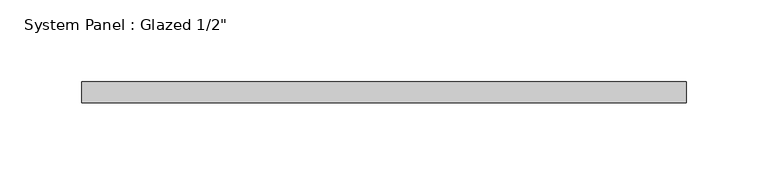
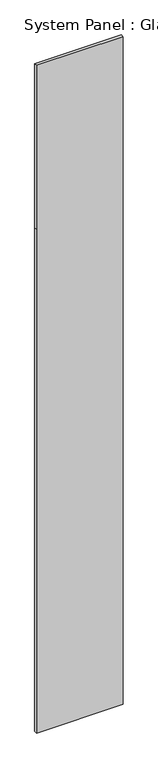
"""IFC4 building model written with IfcOpenShell, lengths in millimetres: plate geometry."""

import ifcopenshell
import ifcopenshell.guid

model = None  # the IFC model being written
_history = None  # IfcOwnerHistory: only IFC2X3 demands one
_inside = {}  # id of a spatial element -> (the spatial element, [elements in it])
_under = {}  # id of a project, library or spatial element -> (it, [spatial elements below it])
_declared = {}  # id of a project -> (the project, [libraries it declares])
_typed = {}  # id of a type object -> (the type object, [elements of that type])
_made_of = {}  # id of a material, layer set ... -> (it, [elements and type objects made of it])


def new_model(schema):
    """Start an empty IFC model of exactly this schema.

    Asked for "IFC4X3", IfcOpenShell would pick the latest addendum, in which some entities
    have other attributes; the version numbers below select the first issue.
    IFC2X3 requires an IfcOwnerHistory on every rooted entity: one is made here for all.
    """
    global model, _history
    if schema == "IFC4X3":
        model = ifcopenshell.file(schema_version=(4, 3, 0, 0))
    else:
        model = ifcopenshell.file(schema=schema)
    _inside.clear()
    _under.clear()
    _declared.clear()
    _typed.clear()
    _made_of.clear()
    _history = None
    if model.schema == "IFC2X3":
        org = make("IfcOrganization", Name="unknown")
        user = make(
            "IfcPersonAndOrganization",
            ThePerson=make("IfcPerson", FamilyName="unknown"),
            TheOrganization=org,
        )
        app = make(
            "IfcApplication",
            ApplicationDeveloper=org,
            Version="unknown",
            ApplicationFullName="unknown",
            ApplicationIdentifier="unknown",
        )
        _history = make(
            "IfcOwnerHistory",
            OwningUser=user,
            OwningApplication=app,
            ChangeAction="ADDED",
            CreationDate=0,
        )
    return model


def make(cls, **values):
    """One entity of the class cls with the attributes given. An attribute that is None is left unset."""
    return model.create_entity(
        cls, **{name: value for name, value in values.items() if value is not None}
    )


def rooted(cls, **values):
    """An entity with a GlobalId (a new one), such as an element, a storey or a relation."""
    return make(cls, GlobalId=ifcopenshell.guid.new(), OwnerHistory=_history, **values)


def si_unit(unit_type, name, prefix=None):
    """IfcSIUnit, for example si_unit("LENGTHUNIT", "METRE", prefix="MILLI")."""
    return make("IfcSIUnit", UnitType=unit_type, Prefix=prefix, Name=name)


def assignment(units):
    """IfcUnitAssignment: the units of a project."""
    return None if units is None else make("IfcUnitAssignment", Units=units)


def point(xyz):
    """IfcCartesianPoint."""
    return None if xyz is None else make("IfcCartesianPoint", Coordinates=xyz)


def direction(xyz):
    """IfcDirection."""
    return None if xyz is None else make("IfcDirection", DirectionRatios=xyz)


def frame(location, z_axis=None, x_axis=None):
    """IfcAxis2Placement3D, a coordinate frame: its origin and axes. An axis left out is left unset."""
    return make(
        "IfcAxis2Placement3D",
        Location=point(location),
        Axis=direction(z_axis),
        RefDirection=direction(x_axis),
    )


def origin():
    """The frame at (0, 0, 0) with its axes left unset."""
    return frame((0.0, 0.0, 0.0))


def place(relative_to, where):
    """IfcLocalPlacement: puts the frame where relative to a parent placement (None: the world)."""
    return make(
        "IfcLocalPlacement", PlacementRelTo=relative_to, RelativePlacement=where
    )


def context(
    kind, dimensions, precision=None, world=None, true_north=None, identifier=None
):
    """IfcGeometricRepresentationContext, for example the 3D "Model" context."""
    return make(
        "IfcGeometricRepresentationContext",
        ContextIdentifier=identifier,
        ContextType=kind,
        CoordinateSpaceDimension=dimensions,
        Precision=precision,
        WorldCoordinateSystem=world,
        TrueNorth=true_north,
    )


def project(units=None, contexts=None):
    """IfcProject with its units and contexts."""
    return rooted(
        "IfcProject",
        Name="project",
        RepresentationContexts=contexts,
        UnitsInContext=assignment(units),
    )


def spatial(cls, under=None, at=None, **own):
    """A site, building, storey or space (cls), placed at a placement, below another one or the project."""
    s = rooted(cls, ObjectPlacement=at, **own)
    if under is not None:
        _under.setdefault(under.id(), (under, []))[1].append(s)
    return s


def polyline(points):
    """IfcPolyline through the points."""
    return make("IfcPolyline", Points=[point(p) for p in points])


def outline(outer, holes=None, kind="AREA"):
    """IfcArbitraryClosedProfileDef: a profile drawn as a closed curve; with holes, ...WithVoids."""
    if holes is None:
        return make("IfcArbitraryClosedProfileDef", ProfileType=kind, OuterCurve=outer)
    return make(
        "IfcArbitraryProfileDefWithVoids",
        ProfileType=kind,
        OuterCurve=outer,
        InnerCurves=holes,
    )


def extrude(swept, where, along, depth):
    """IfcExtrudedAreaSolid: the profile swept, set in the frame where, extruded along a direction by depth."""
    return make(
        "IfcExtrudedAreaSolid",
        SweptArea=swept,
        Position=where,
        ExtrudedDirection=direction(along),
        Depth=depth,
    )


def shape(context_of_items, identifier, shape_type, items):
    """IfcShapeRepresentation: the items that make up one representation, for example the "Body"."""
    return make(
        "IfcShapeRepresentation",
        ContextOfItems=context_of_items,
        RepresentationIdentifier=identifier,
        RepresentationType=shape_type,
        Items=items,
    )


def source(mapping_origin, context_of_items, identifier, shape_type, items):
    """IfcRepresentationMap: a shape defined once, which mapped items show again and again."""
    return make(
        "IfcRepresentationMap",
        MappingOrigin=mapping_origin,
        MappedRepresentation=shape(context_of_items, identifier, shape_type, items),
    )


def transform(
    local_origin,
    x_axis=None,
    y_axis=None,
    z_axis=None,
    scale=None,
    scale2=None,
    scale3=None,
    uniform=True,
):
    """IfcCartesianTransformationOperator3D, or its non-uniform kind. x_axis, y_axis, z_axis: its Axis1, 2, 3."""
    if uniform:
        return make(
            "IfcCartesianTransformationOperator3D",
            Axis1=direction(x_axis),
            Axis2=direction(y_axis),
            LocalOrigin=point(local_origin),
            Scale=scale,
            Axis3=direction(z_axis),
        )
    return make(
        "IfcCartesianTransformationOperator3DnonUniform",
        Axis1=direction(x_axis),
        Axis2=direction(y_axis),
        LocalOrigin=point(local_origin),
        Scale=scale,
        Axis3=direction(z_axis),
        Scale2=scale2,
        Scale3=scale3,
    )


def mapped(mapping_source, mapping_target):
    """IfcMappedItem: shows the shape of a source again, moved by a transform."""
    return make(
        "IfcMappedItem", MappingSource=mapping_source, MappingTarget=mapping_target
    )


def made_of(thing, what):
    """Note that an element or type object is made of a material, layer set ...; save() writes the relation."""
    if what is not None:
        _made_of.setdefault(what.id(), (what, []))[1].append(thing)
    return thing


def element(
    cls,
    number,
    at=None,
    inside=None,
    cuts=None,
    type_object=None,
    material=None,
    context=None,
    identifier="Body",
    shape_type=None,
    held_by="IfcProductDefinitionShape",
    body=None,
    shapes=None,
    **own,
):
    """One element of the class cls, such as IfcWall. Its Tag is "e" and its number.

    at: its placement. inside: the storey or other place that contains it. cuts: it is an
    opening in that element (IfcRelVoidsElement). A single representation is given by context,
    identifier, shape_type and body (its items); several are given by shapes. held_by: the class
    of the entity that holds the representations. save() writes the other relations.
    """
    e = rooted(cls, Tag="e%d" % number, ObjectPlacement=at, **own)
    if body is not None:
        shapes = [shape(context, identifier, shape_type, body)]
    if shapes is not None:
        e.Representation = make(held_by, Representations=shapes)
    if inside is not None:
        _inside.setdefault(inside.id(), (inside, []))[1].append(e)
    if cuts is not None:
        rooted(
            "IfcRelVoidsElement", RelatingBuildingElement=cuts, RelatedOpeningElement=e
        )
    if type_object is not None:
        _typed.setdefault(type_object.id(), (type_object, []))[1].append(e)
    return made_of(e, material)


def aggregate(whole, parts):
    """IfcRelAggregates: a whole, such as a stair, and the parts it consists of."""
    return rooted("IfcRelAggregates", RelatingObject=whole, RelatedObjects=parts)


def save(model, path):
    """Write the relations noted so far, then the file.

    IfcRelAggregates (storeys below a building ...), IfcRelContainedInSpatialStructure (elements
    in a storey), IfcRelDefinesByType, IfcRelAssociatesMaterial and IfcRelDeclares: one each for
    every whole, place, type object, material and project.
    """
    for whole, parts in _under.values():
        aggregate(whole, parts)
    for where, things in _inside.values():
        rooted(
            "IfcRelContainedInSpatialStructure",
            RelatedElements=things,
            RelatingStructure=where,
        )
    for kind, things in _typed.values():
        rooted("IfcRelDefinesByType", RelatedObjects=things, RelatingType=kind)
    for what, things in _made_of.values():
        rooted("IfcRelAssociatesMaterial", RelatedObjects=things, RelatingMaterial=what)
    for by, libraries in _declared.values():
        rooted("IfcRelDeclares", RelatingContext=by, RelatedDefinitions=libraries)
    model.write(path)


def plate_7044a64d(model_context):
    return source(origin(), model_context, "Body", "SweptSolid", [
        extrude(outline(polyline([(0.0, -184.15), (0.0, 184.15), (2260.6, 184.15), (2997.2, 184.15), (2997.2, -184.15), (2260.6, -184.15), (0.0, -184.15)])), frame((0.0, -6.35, 0.0), z_axis=(0.0, 1.0, 0.0), x_axis=(0.0, 0.0, 1.0)), (0.0, 0.0, 1.0), 12.7),
    ])


if __name__ == "__main__":
    model = new_model("IFC4")
    model_context = context("Model", 3, world=origin())
    ifc_project = project(units=[si_unit("LENGTHUNIT", "METRE", prefix="MILLI")], contexts=[model_context])
    site = spatial("IfcSite", under=ifc_project)
    building = spatial("IfcBuilding", under=site)
    placement = place(None, origin())
    plate_shape = plate_7044a64d(model_context)
    element("IfcPlate", 1, ObjectType="System Panel : Glazed 1/2\"", at=placement, inside=building, context=model_context, shape_type="MappedRepresentation", body=[
        mapped(plate_shape, transform((0.0, 0.0, 0.0), x_axis=(1.0, 0.0, 0.0), y_axis=(0.0, 1.0, 0.0), z_axis=(0.0, 0.0, 1.0))),
    ])
    save(model, "model.ifc")
